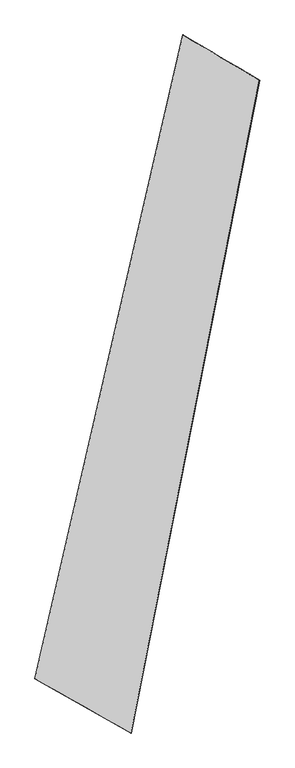
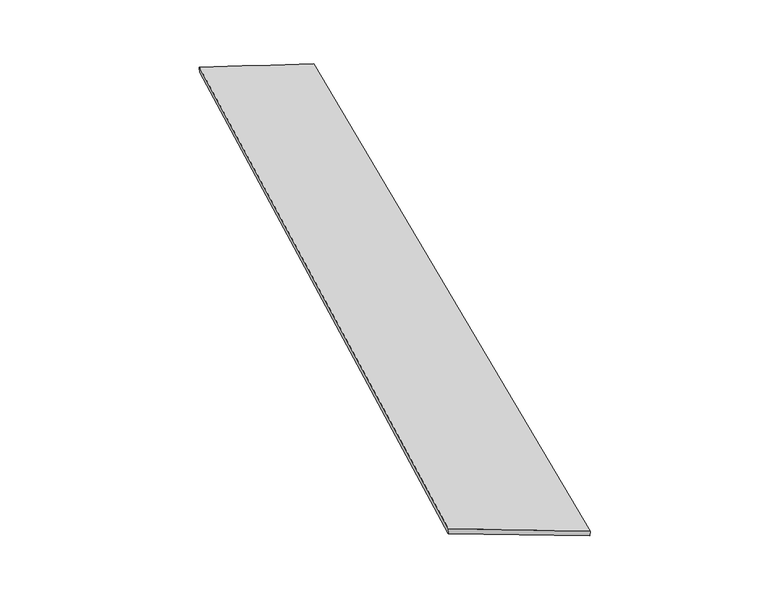
"""IFC4 building model written with IfcOpenShell, lengths in millimetres: proxy geometry."""

import ifcopenshell
import ifcopenshell.guid

model = None  # the IFC model being written
_history = None  # IfcOwnerHistory: only IFC2X3 demands one
_inside = {}  # id of a spatial element -> (the spatial element, [elements in it])
_under = {}  # id of a project, library or spatial element -> (it, [spatial elements below it])
_declared = {}  # id of a project -> (the project, [libraries it declares])
_typed = {}  # id of a type object -> (the type object, [elements of that type])
_made_of = {}  # id of a material, layer set ... -> (it, [elements and type objects made of it])


def new_model(schema):
    """Start an empty IFC model of exactly this schema.

    Asked for "IFC4X3", IfcOpenShell would pick the latest addendum, in which some entities
    have other attributes; the version numbers below select the first issue.
    IFC2X3 requires an IfcOwnerHistory on every rooted entity: one is made here for all.
    """
    global model, _history
    if schema == "IFC4X3":
        model = ifcopenshell.file(schema_version=(4, 3, 0, 0))
    else:
        model = ifcopenshell.file(schema=schema)
    _inside.clear()
    _under.clear()
    _declared.clear()
    _typed.clear()
    _made_of.clear()
    _history = None
    if model.schema == "IFC2X3":
        org = make("IfcOrganization", Name="unknown")
        user = make(
            "IfcPersonAndOrganization",
            ThePerson=make("IfcPerson", FamilyName="unknown"),
            TheOrganization=org,
        )
        app = make(
            "IfcApplication",
            ApplicationDeveloper=org,
            Version="unknown",
            ApplicationFullName="unknown",
            ApplicationIdentifier="unknown",
        )
        _history = make(
            "IfcOwnerHistory",
            OwningUser=user,
            OwningApplication=app,
            ChangeAction="ADDED",
            CreationDate=0,
        )
    return model


def make(cls, **values):
    """One entity of the class cls with the attributes given. An attribute that is None is left unset."""
    return model.create_entity(
        cls, **{name: value for name, value in values.items() if value is not None}
    )


def rooted(cls, **values):
    """An entity with a GlobalId (a new one), such as an element, a storey or a relation."""
    return make(cls, GlobalId=ifcopenshell.guid.new(), OwnerHistory=_history, **values)


def si_unit(unit_type, name, prefix=None):
    """IfcSIUnit, for example si_unit("LENGTHUNIT", "METRE", prefix="MILLI")."""
    return make("IfcSIUnit", UnitType=unit_type, Prefix=prefix, Name=name)


def assignment(units):
    """IfcUnitAssignment: the units of a project."""
    return None if units is None else make("IfcUnitAssignment", Units=units)


def point(xyz):
    """IfcCartesianPoint."""
    return None if xyz is None else make("IfcCartesianPoint", Coordinates=xyz)


def direction(xyz):
    """IfcDirection."""
    return None if xyz is None else make("IfcDirection", DirectionRatios=xyz)


def frame(location, z_axis=None, x_axis=None):
    """IfcAxis2Placement3D, a coordinate frame: its origin and axes. An axis left out is left unset."""
    return make(
        "IfcAxis2Placement3D",
        Location=point(location),
        Axis=direction(z_axis),
        RefDirection=direction(x_axis),
    )


def origin():
    """The frame at (0, 0, 0) with its axes left unset."""
    return frame((0.0, 0.0, 0.0))


def place(relative_to, where):
    """IfcLocalPlacement: puts the frame where relative to a parent placement (None: the world)."""
    return make(
        "IfcLocalPlacement", PlacementRelTo=relative_to, RelativePlacement=where
    )


def context(
    kind, dimensions, precision=None, world=None, true_north=None, identifier=None
):
    """IfcGeometricRepresentationContext, for example the 3D "Model" context."""
    return make(
        "IfcGeometricRepresentationContext",
        ContextIdentifier=identifier,
        ContextType=kind,
        CoordinateSpaceDimension=dimensions,
        Precision=precision,
        WorldCoordinateSystem=world,
        TrueNorth=true_north,
    )


def project(units=None, contexts=None):
    """IfcProject with its units and contexts."""
    return rooted(
        "IfcProject",
        Name="project",
        RepresentationContexts=contexts,
        UnitsInContext=assignment(units),
    )


def spatial(cls, under=None, at=None, **own):
    """A site, building, storey or space (cls), placed at a placement, below another one or the project."""
    s = rooted(cls, ObjectPlacement=at, **own)
    if under is not None:
        _under.setdefault(under.id(), (under, []))[1].append(s)
    return s


def shape(context_of_items, identifier, shape_type, items):
    """IfcShapeRepresentation: the items that make up one representation, for example the "Body"."""
    return make(
        "IfcShapeRepresentation",
        ContextOfItems=context_of_items,
        RepresentationIdentifier=identifier,
        RepresentationType=shape_type,
        Items=items,
    )


def source(mapping_origin, context_of_items, identifier, shape_type, items):
    """IfcRepresentationMap: a shape defined once, which mapped items show again and again."""
    return make(
        "IfcRepresentationMap",
        MappingOrigin=mapping_origin,
        MappedRepresentation=shape(context_of_items, identifier, shape_type, items),
    )


def transform(
    local_origin,
    x_axis=None,
    y_axis=None,
    z_axis=None,
    scale=None,
    scale2=None,
    scale3=None,
    uniform=True,
):
    """IfcCartesianTransformationOperator3D, or its non-uniform kind. x_axis, y_axis, z_axis: its Axis1, 2, 3."""
    if uniform:
        return make(
            "IfcCartesianTransformationOperator3D",
            Axis1=direction(x_axis),
            Axis2=direction(y_axis),
            LocalOrigin=point(local_origin),
            Scale=scale,
            Axis3=direction(z_axis),
        )
    return make(
        "IfcCartesianTransformationOperator3DnonUniform",
        Axis1=direction(x_axis),
        Axis2=direction(y_axis),
        LocalOrigin=point(local_origin),
        Scale=scale,
        Axis3=direction(z_axis),
        Scale2=scale2,
        Scale3=scale3,
    )


def mapped(mapping_source, mapping_target):
    """IfcMappedItem: shows the shape of a source again, moved by a transform."""
    return make(
        "IfcMappedItem", MappingSource=mapping_source, MappingTarget=mapping_target
    )


def made_of(thing, what):
    """Note that an element or type object is made of a material, layer set ...; save() writes the relation."""
    if what is not None:
        _made_of.setdefault(what.id(), (what, []))[1].append(thing)
    return thing


def element(
    cls,
    number,
    at=None,
    inside=None,
    cuts=None,
    type_object=None,
    material=None,
    context=None,
    identifier="Body",
    shape_type=None,
    held_by="IfcProductDefinitionShape",
    body=None,
    shapes=None,
    **own,
):
    """One element of the class cls, such as IfcWall. Its Tag is "e" and its number.

    at: its placement. inside: the storey or other place that contains it. cuts: it is an
    opening in that element (IfcRelVoidsElement). A single representation is given by context,
    identifier, shape_type and body (its items); several are given by shapes. held_by: the class
    of the entity that holds the representations. save() writes the other relations.
    """
    e = rooted(cls, Tag="e%d" % number, ObjectPlacement=at, **own)
    if body is not None:
        shapes = [shape(context, identifier, shape_type, body)]
    if shapes is not None:
        e.Representation = make(held_by, Representations=shapes)
    if inside is not None:
        _inside.setdefault(inside.id(), (inside, []))[1].append(e)
    if cuts is not None:
        rooted(
            "IfcRelVoidsElement", RelatingBuildingElement=cuts, RelatedOpeningElement=e
        )
    if type_object is not None:
        _typed.setdefault(type_object.id(), (type_object, []))[1].append(e)
    return made_of(e, material)


def aggregate(whole, parts):
    """IfcRelAggregates: a whole, such as a stair, and the parts it consists of."""
    return rooted("IfcRelAggregates", RelatingObject=whole, RelatedObjects=parts)


def save(model, path):
    """Write the relations noted so far, then the file.

    IfcRelAggregates (storeys below a building ...), IfcRelContainedInSpatialStructure (elements
    in a storey), IfcRelDefinesByType, IfcRelAssociatesMaterial and IfcRelDeclares: one each for
    every whole, place, type object, material and project.
    """
    for whole, parts in _under.values():
        aggregate(whole, parts)
    for where, things in _inside.values():
        rooted(
            "IfcRelContainedInSpatialStructure",
            RelatedElements=things,
            RelatingStructure=where,
        )
    for kind, things in _typed.values():
        rooted("IfcRelDefinesByType", RelatedObjects=things, RelatingType=kind)
    for what, things in _made_of.values():
        rooted("IfcRelAssociatesMaterial", RelatedObjects=things, RelatingMaterial=what)
    for by, libraries in _declared.values():
        rooted("IfcRelDeclares", RelatingContext=by, RelatedDefinitions=libraries)
    model.write(path)


def plane_surface(at):
    """IfcPlane: the flat surface through the origin of the frame at, square to its z axis."""
    return make("IfcPlane", Position=at)


def spline_surface(u_degree, v_degree, points, u_multiplicities, v_multiplicities, u_knots, v_knots, weights=None):
    """IfcBSplineSurfaceWithKnots; with weights, IfcRationalBSplineSurfaceWithKnots. points: one row for each step in u."""
    own = dict(
        UDegree=u_degree,
        VDegree=v_degree,
        ControlPointsList=[[point(p) for p in row] for row in points],
        SurfaceForm="UNSPECIFIED",
        UClosed=False,
        VClosed=False,
        SelfIntersect=False,
        UMultiplicities=u_multiplicities,
        VMultiplicities=v_multiplicities,
        UKnots=u_knots,
        VKnots=v_knots,
        KnotSpec="UNSPECIFIED",
    )
    if weights is None:
        return make("IfcBSplineSurfaceWithKnots", **own)
    return make("IfcRationalBSplineSurfaceWithKnots", WeightsData=weights, **own)


def advanced_brep(points, edges, surfaces, faces):
    """IfcAdvancedBrep: a solid bounded by faces that lie on surfaces and meet in shared edges.

    An edge is (start, end): straight between two places in points (the first is 0);
    or (start, end, curve); or (start, end, curve, False) where it runs against its curve.
    A face is (place in surfaces, loops), or (place, loops, False) where it looks against
    its surface's normal. A loop lists edges by number (the first is 1), with a minus sign
    where the edge is run from its end to its start. The first loop is the outer one.
    """
    corners = [point(p) for p in points]
    vertices = [make("IfcVertexPoint", VertexGeometry=c) for c in corners]
    made = []
    for start, end, *more in edges:
        made.append(
            make(
                "IfcEdgeCurve",
                EdgeStart=vertices[start],
                EdgeEnd=vertices[end],
                EdgeGeometry=more[0] if more else make("IfcPolyline", Points=[corners[start], corners[end]]),
                SameSense=more[1] if len(more) > 1 else True,
            )
        )
    hull = []
    for where, loops, *sense in faces:
        bounds = []
        for j, loop in enumerate(loops):
            ring = [make("IfcOrientedEdge", EdgeElement=made[abs(k) - 1], Orientation=k > 0) for k in loop]
            bounds.append(
                make(
                    "IfcFaceOuterBound" if j == 0 else "IfcFaceBound",
                    Bound=make("IfcEdgeLoop", EdgeList=ring),
                    Orientation=True,
                )
            )
        hull.append(make("IfcAdvancedFace", Bounds=bounds, FaceSurface=surfaces[where], SameSense=sense[0] if sense else True))
    return make("IfcAdvancedBrep", Outer=make("IfcClosedShell", CfsFaces=hull))


def generic_models_f3d3e84a(model_context):
    return source(origin(), model_context, "Body", "AdvancedBrep", [
        advanced_brep(
        [(-692.561637, -1754.4894804, 10.0329508), (-692.1262344, -1754.42915, 40.0297304), (276.0082512, 2460.3705174, 17.4830435), (276.5660833, 2460.0818137, -12.5103804), (-61.8836463, -2110.1456778, 19.9048662), (777.1108606, 2164.3879149, 42.4721008), (-63.1576801, -2109.7360509, -10.0652696), (779.1532338, 2164.1437175, 12.5426992)],
        [
            (0, 1),
            (1, 2),
            (2, 3),
            (3, 0),
            (1, 4),
            (4, 5),
            (5, 2),
            (4, 6),
            (6, 7),
            (7, 5),
            (6, 0),
            (3, 7),
        ],
        [
            spline_surface(1, 1, [[(-692.561637, -1754.4894804, 10.0329508), (276.5660833, 2460.0818137, -12.5103804)], [(-692.1262344, -1754.42915, 40.0297304), (276.0082512, 2460.3705174, 17.4830435)]], [2, 2], [2, 2], [0.0, 1.0], [0.0, 1.0]),
            spline_surface(1, 1, [[(-692.1262344, -1754.42915, 40.0297304), (276.0082512, 2460.3705174, 17.4830435)], [(-61.8836463, -2110.1456778, 19.9048662), (777.1108606, 2164.3879149, 42.4721008)]], [2, 2], [2, 2], [0.0, 1.0], [0.0, 1.0]),
            spline_surface(1, 1, [[(-61.8836463, -2110.1456778, 19.9048662), (777.1108606, 2164.3879149, 42.4721008)], [(-63.1576801, -2109.7360509, -10.0652696), (779.1532338, 2164.1437175, 12.5426992)]], [2, 2], [2, 2], [0.0, 1.0], [0.0, 1.0]),
            spline_surface(1, 1, [[(-63.1576801, -2109.7360509, -10.0652696), (779.1532338, 2164.1437175, 12.5426992)], [(-692.561637, -1754.4894804, 10.0329508), (276.5660833, 2460.0818137, -12.5103804)]], [2, 2], [2, 2], [0.0, 1.0], [0.0, 1.0]),
            spline_surface(1, 1, [[(276.0082512, 2460.3705174, 17.4830435), (276.5660833, 2460.0818137, -12.5103804)], [(777.1108606, 2164.3879149, 42.4721008), (779.1532338, 2164.1437175, 12.5426992)]], [2, 2], [2, 2], [0.0, 1.0], [0.0, 1.0]),
            plane_surface(frame((-377.4322995, -1932.2000898, 14.9755694), z_axis=(-0.49129186139195125, -0.8709487072363369, 0.008980884888779392), x_axis=(0.8705245705814525, -0.49133925021364816, -0.027797719573156313))),
        ],
        [
            (0, [[1, 2, 3, 4]]),
            (1, [[5, 6, 7, -2]]),
            (2, [[8, 9, 10, -6]]),
            (3, [[11, -4, 12, -9]]),
            (4, [[-3, -7, -10, -12]]),
            (5, [[-11, -8, -5, -1]]),
        ],
    ),
    ])


if __name__ == "__main__":
    model = new_model("IFC4")
    model_context = context("Model", 3, world=origin())
    ifc_project = project(units=[si_unit("LENGTHUNIT", "METRE", prefix="MILLI")], contexts=[model_context])
    site = spatial("IfcSite", under=ifc_project)
    building = spatial("IfcBuilding", under=site)
    placement = place(None, origin())
    generic_models_shape = generic_models_f3d3e84a(model_context)
    element("IfcBuildingElementProxy", 1, Name="Generic Models", at=placement, inside=building, context=model_context, shape_type="MappedRepresentation", body=[
        mapped(generic_models_shape, transform((0.0, 0.0, 0.0), x_axis=(1.0, 0.0, 0.0), y_axis=(0.0, 1.0, 0.0), z_axis=(0.0, 0.0, 1.0))),
    ])
    save(model, "model.ifc")
